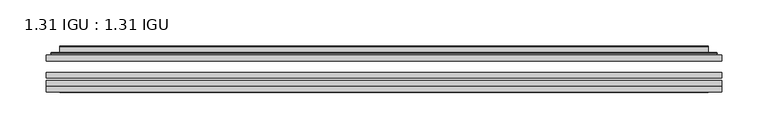
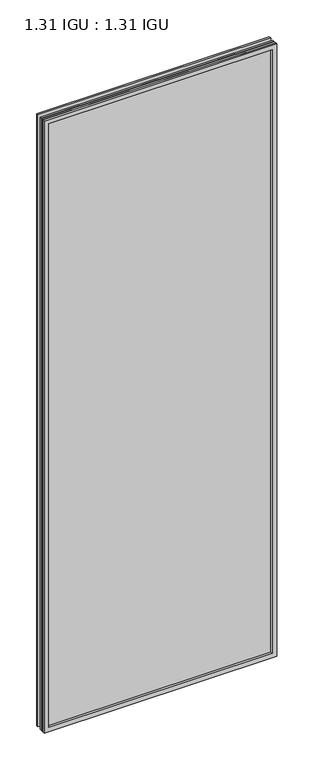
"""IFC4 building model written with IfcOpenShell, lengths in millimetres: plate geometry, 1.31 IGU : 1.31 IGU."""

from ifc_helpers import new_model, si_unit, frame, origin, place, context, project, spatial, polyline, ellipse_curve, outline, extrude, faceted_brep, source, transform, mapped, element, save
from ifc_brep_helpers import plane_surface, cylinder_surface, advanced_brep


def plate_1_31_igu_1_31_igu_50b4bd6e(model_context):
    return source(origin(), model_context, "Body", "SolidModel", [
        extrude(outline(polyline([(363.5949209, -63.2975937), (363.5949209, -69.6475938), (-363.5807459, -69.6475938), (-363.5807459, -63.2975937), (363.5949209, -63.2975937)])), frame((0.0, 0.0, -14.2875), z_axis=(0.0, 0.0, 1.0), x_axis=(1.0, 0.0, 0.0)), (0.0, 0.0, 1.0), 2022.4787979),
        extrude(outline(polyline([(-363.5807459, -78.2835938), (-363.5807459, -71.9330887), (363.5949209, -71.9330887), (363.5949209, -78.2835938), (-363.5807459, -78.2835938)])), frame((0.0, 0.0, -14.2875), z_axis=(0.0, 0.0, 1.0), x_axis=(1.0, 0.0, 0.0)), (0.0, 0.0, 1.0), 2022.4787979),
        extrude(outline(polyline([(363.5949209, -44.9587937), (363.5949209, -51.3087938), (-363.5807459, -51.3087938), (-363.5807459, -44.9587937), (363.5949209, -44.9587937)])), frame((0.0, 0.0, -14.2875), z_axis=(0.0, 0.0, 1.0), x_axis=(1.0, 0.0, 0.0)), (0.0, 0.0, 1.0), 2022.4787979),
        faceted_brep([(-363.5934459, -84.6335937, 2008.2002), (-363.5934459, -78.2835937, 2008.2002), (-363.5934459, -78.2835937, -14.3002), (-363.5934459, -84.6335937, -14.3002), (363.5934459, -78.2835937, -14.3002), (363.5934459, -84.6335937, -14.3002), (363.5934459, -78.2835937, 2008.2002), (363.5934459, -84.6335937, 2008.2002), (-348.3955018, -78.2835937, 0.8977441), (348.3955018, -78.2835937, 0.8977441), (348.3955018, -78.2835937, 1993.0022559), (-348.3955018, -78.2835937, 1993.0022559), (-349.2879361, -84.6335937, 1993.8946902), (349.2879361, -84.6335937, 1993.8946902), (349.2879361, -84.6335937, 0.0053098), (-349.2879361, -84.6335937, 0.0053098)], [[[0, 1, 2, 3]], [[3, 2, 4, 5]], [[5, 4, 6, 7]], [[1, 6, 4, 2], [8, 9, 10, 11]], [[7, 6, 1, 0]], [[3, 5, 7, 0], [12, 13, 14, 15]], [[11, 12, 15, 8]], [[8, 15, 14, 9]], [[9, 14, 13, 10]], [[10, 13, 12, 11]]]),
        advanced_brep(
        [(-356.339465, -44.9587937, 2000.946219), (-358.6936703, -42.9691271, 2003.3004244), (-358.6936703, -42.9691271, -9.4004244), (-356.339465, -44.9587937, -7.046219), (-347.2651398, -41.1187568, 1991.8718939), (-342.330308, -44.9587937, 1986.9370621), (-342.330308, -44.9587937, 6.9629379), (-347.2651398, -41.1187568, 2.0281061), (-348.2971676, -35.7215256, 1992.9039217), (-348.2971676, -35.7215256, 0.9960783), (-349.2878244, -35.3225507, 1993.8945784), (-349.2878244, -35.3225507, 0.0054216), (-349.2878244, -41.7837937, 1993.8945784), (-349.2878244, -41.7837937, 0.0054216), (-357.6918808, -41.7837937, 2002.2986349), (-357.6918808, -41.7837937, -8.3986349), (358.6936703, -42.9691271, -9.4004244), (356.339465, -44.9587937, -7.046219), (342.330308, -44.9587937, 6.9629379), (347.2651398, -41.1187568, 2.0281061), (348.2971676, -35.7215256, 0.9960783), (349.2878244, -35.3225507, 0.0054216), (349.2878244, -41.7837937, 0.0054216), (357.6918808, -41.7837937, -8.3986349), (358.6936703, -42.9691271, 2003.3004244), (356.339465, -44.9587937, 2000.946219), (342.330308, -44.9587937, 1986.9370621), (347.2651398, -41.1187568, 1991.8718939), (348.2971676, -35.7215256, 1992.9039217), (349.2878244, -35.3225507, 1993.8945784), (349.2878244, -41.7837937, 1993.8945784), (357.6918808, -41.7837937, 2002.2986349)],
        [
            (0, 1, ellipse_curve(frame((-356.339465, -42.5711937, 2000.946219), z_axis=(-0.7071067811865475, 0.0, -0.7071067811865475), x_axis=(-0.7071067811865474, 0.0, 0.7071067811865476)), 3.3765763, 2.3876)),
            (1, 2),
            (2, 3, ellipse_curve(frame((-356.339465, -42.5711937, -7.046219), z_axis=(-0.7071067811865475, 0.0, 0.7071067811865475), x_axis=(0.7071067811865474, 0.0, 0.7071067811865476)), 3.3765763, 2.3876)),
            (3, 0),
            (4, 5),
            (5, 6),
            (6, 7),
            (7, 4),
            (8, 4),
            (7, 9),
            (9, 8),
            (10, 8, ellipse_curve(frame((-348.9208678, -35.840786, 1993.5276219), z_axis=(-0.7071067811865475, 0.0, -0.7071067811865475), x_axis=(-0.7071067811865474, 0.0, 0.7071067811865476)), 0.8980256, 0.635)),
            (9, 11, ellipse_curve(frame((-348.9208678, -35.840786, 0.3723781), z_axis=(-0.7071067811865475, 0.0, 0.7071067811865475), x_axis=(0.7071067811865474, 0.0, 0.7071067811865476)), 0.8980256, 0.635)),
            (11, 10),
            (12, 10),
            (11, 13),
            (13, 12),
            (1, 14, ellipse_curve(frame((-357.6918808, -42.7997937, 2002.2986349), z_axis=(-0.7071067811865475, 0.0, -0.7071067811865475), x_axis=(-0.7071067811865474, 0.0, 0.7071067811865476)), 1.436841, 1.016)),
            (14, 15),
            (15, 2, ellipse_curve(frame((-357.6918808, -42.7997937, -8.3986349), z_axis=(-0.7071067811865475, 0.0, 0.7071067811865475), x_axis=(0.7071067811865474, 0.0, 0.7071067811865476)), 1.436841, 1.016)),
            (2, 16),
            (16, 17, ellipse_curve(frame((356.339465, -42.5711937, -7.046219), z_axis=(-0.7071067811865475, 0.0, -0.7071067811865475), x_axis=(-0.7071067811865476, 0.0, 0.7071067811865474)), 3.3765763, 2.3876)),
            (17, 3),
            (6, 18),
            (18, 19),
            (19, 7),
            (19, 20),
            (20, 9),
            (20, 21, ellipse_curve(frame((348.9208678, -35.840786, 0.3723781), z_axis=(-0.7071067811865475, 0.0, -0.7071067811865475), x_axis=(-0.7071067811865476, 0.0, 0.7071067811865474)), 0.8980256, 0.635)),
            (21, 11),
            (21, 22),
            (22, 13),
            (15, 23),
            (23, 16, ellipse_curve(frame((357.6918808, -42.7997937, -8.3986349), z_axis=(-0.7071067811865475, 0.0, -0.7071067811865475), x_axis=(-0.7071067811865476, 0.0, 0.7071067811865474)), 1.436841, 1.016)),
            (16, 24),
            (24, 25, ellipse_curve(frame((356.339465, -42.5711937, 2000.946219), z_axis=(0.7071067811865475, 0.0, -0.7071067811865475), x_axis=(-0.7071067811865474, 0.0, -0.7071067811865476)), 3.3765763, 2.3876)),
            (25, 17),
            (18, 26),
            (26, 27),
            (27, 19),
            (27, 28),
            (28, 20),
            (28, 29, ellipse_curve(frame((348.9208678, -35.840786, 1993.5276219), z_axis=(0.7071067811865475, 0.0, -0.7071067811865475), x_axis=(-0.7071067811865474, 0.0, -0.7071067811865476)), 0.8980256, 0.635)),
            (29, 21),
            (29, 30),
            (30, 22),
            (23, 31),
            (31, 24, ellipse_curve(frame((357.6918808, -42.7997937, 2002.2986349), z_axis=(0.7071067811865475, 0.0, -0.7071067811865475), x_axis=(-0.7071067811865474, 0.0, -0.7071067811865476)), 1.436841, 1.016)),
            (24, 1),
            (0, 25),
            (5, 26),
            (4, 27),
            (8, 28),
            (10, 29),
            (12, 30),
            (14, 31),
        ],
        [
            cylinder_surface(frame((-356.339465, -42.5711937, 2025.65), z_axis=(0.0, 0.0, 1.0), x_axis=(-1.0, 0.0, 0.0)), 2.3876),
            plane_surface(frame((-342.330308, -44.9587937, 1986.9370621), z_axis=(0.6141233906514794, 0.7892100234124821, 0.0), x_axis=(0.0, 0.0, -1.0))),
            plane_surface(frame((-347.2651398, -41.1187568, 1991.8718939), z_axis=(0.9822050625507729, 0.18781164793386074, 0.0), x_axis=(0.0, 0.0, -1.0))),
            cylinder_surface(frame((-348.9208678, -35.840786, 2025.65), z_axis=(0.0, 0.0, 1.0), x_axis=(-1.0, 0.0, 0.0)), 0.635),
            plane_surface(frame((-349.2878244, -35.3225507, 1993.8945784), z_axis=(-1.0, 0.0, 0.0), x_axis=(0.0, 0.0, -1.0))),
            cylinder_surface(frame((-357.6918808, -42.7997937, 2025.65), z_axis=(0.0, 0.0, 1.0), x_axis=(-1.0, 0.0, 0.0)), 1.016),
            cylinder_surface(frame((-381.0432459, -42.5711937, -7.046219), z_axis=(-1.0, 0.0, 0.0), x_axis=(0.0, 0.0, -1.0)), 2.3876),
            plane_surface(frame((-342.330308, -44.9587937, 6.9629379), z_axis=(0.0, 0.7892100234124841, 0.6141233906514768), x_axis=(1.0, 0.0, 0.0))),
            plane_surface(frame((-347.2651398, -41.1187568, 2.0281061), z_axis=(0.0, 0.18781164793386393, 0.9822050625507723), x_axis=(1.0, 0.0, 0.0))),
            cylinder_surface(frame((-381.0432459, -35.840786, 0.3723781), z_axis=(-1.0, 0.0, 0.0), x_axis=(0.0, 0.0, -1.0)), 0.635),
            plane_surface(frame((-349.2878244, -35.3225507, 0.0054216), z_axis=(0.0, 0.0, -1.0), x_axis=(1.0, 0.0, 0.0))),
            cylinder_surface(frame((-381.0432459, -42.7997937, -8.3986349), z_axis=(-1.0, 0.0, 0.0), x_axis=(0.0, 0.0, -1.0)), 1.016),
            cylinder_surface(frame((356.339465, -42.5711937, -31.75), z_axis=(0.0, 0.0, -1.0), x_axis=(1.0, 0.0, 0.0)), 2.3876),
            plane_surface(frame((342.330308, -44.9587937, 6.9629379), z_axis=(-0.6141233906514743, 0.7892100234124861, 0.0), x_axis=(0.0, 0.0, 1.0))),
            plane_surface(frame((347.2651398, -41.1187568, 2.0281061), z_axis=(-0.9822050625507718, 0.18781164793386712, 0.0), x_axis=(0.0, 0.0, 1.0))),
            cylinder_surface(frame((348.9208678, -35.840786, -31.75), z_axis=(0.0, 0.0, -1.0), x_axis=(1.0, 0.0, 0.0)), 0.635),
            plane_surface(frame((349.2878244, -35.3225507, 0.0054216), z_axis=(1.0, 0.0, 0.0), x_axis=(0.0, 0.0, 1.0))),
            cylinder_surface(frame((357.6918808, -42.7997937, -31.75), z_axis=(0.0, 0.0, -1.0), x_axis=(1.0, 0.0, 0.0)), 1.016),
            cylinder_surface(frame((381.0432459, -42.5711937, 2000.946219), z_axis=(1.0, 0.0, 0.0), x_axis=(0.0, 0.0, 1.0)), 2.3876),
            plane_surface(frame((356.339465, -44.9587937, 2000.946219), z_axis=(0.0, -1.0, 0.0), x_axis=(-1.0, 0.0, 0.0))),
            plane_surface(frame((342.330308, -44.9587937, 1986.9370621), z_axis=(0.0, 0.7892100234124841, -0.6141233906514768), x_axis=(-1.0, 0.0, 0.0))),
            plane_surface(frame((347.2651398, -41.1187568, 1991.8718939), z_axis=(0.0, 0.18781164793386393, -0.9822050625507723), x_axis=(-1.0, 0.0, 0.0))),
            cylinder_surface(frame((381.0432459, -35.840786, 1993.5276219), z_axis=(1.0, 0.0, 0.0), x_axis=(0.0, 0.0, 1.0)), 0.635),
            plane_surface(frame((349.2878244, -35.3225507, 1993.8945784), z_axis=(0.0, 0.0, 1.0), x_axis=(-1.0, 0.0, 0.0))),
            plane_surface(frame((349.2878244, -41.7837937, 1993.8945784), z_axis=(0.0, 1.0, 0.0), x_axis=(-1.0, 0.0, 0.0))),
            cylinder_surface(frame((381.0432459, -42.7997937, 2002.2986349), z_axis=(1.0, 0.0, 0.0), x_axis=(0.0, 0.0, 1.0)), 1.016),
        ],
        [
            (0, [[1, 2, 3, 4]]),
            (1, [[5, 6, 7, 8]]),
            (2, [[9, -8, 10, 11]]),
            (3, [[12, -11, 13, 14]]),
            (4, [[15, -14, 16, 17]]),
            (5, [[18, 19, 20, -2]]),
            (6, [[-3, 21, 22, 23]]),
            (7, [[-7, 24, 25, 26]]),
            (8, [[-10, -26, 27, 28]]),
            (9, [[-13, -28, 29, 30]]),
            (10, [[-16, -30, 31, 32]]),
            (11, [[-20, 33, 34, -21]]),
            (12, [[-22, 35, 36, 37]]),
            (13, [[-25, 38, 39, 40]]),
            (14, [[-27, -40, 41, 42]]),
            (15, [[-29, -42, 43, 44]]),
            (16, [[-31, -44, 45, 46]]),
            (17, [[-34, 47, 48, -35]]),
            (18, [[-36, 49, -1, 50]]),
            (19, [[-23, -37, -50, -4], [51, -38, -24, -6]]),
            (20, [[-39, -51, -5, 52]]),
            (21, [[-41, -52, -9, 53]]),
            (22, [[-43, -53, -12, 54]]),
            (23, [[-45, -54, -15, 55]]),
            (24, [[56, -47, -33, -19], [-32, -46, -55, -17]]),
            (25, [[-48, -56, -18, -49]]),
        ],
    ),
    ])


if __name__ == "__main__":
    model = new_model("IFC4")
    model_context = context("Model", 3, world=origin())
    ifc_project = project(units=[si_unit("LENGTHUNIT", "METRE", prefix="MILLI")], contexts=[model_context])
    site = spatial("IfcSite", under=ifc_project)
    building = spatial("IfcBuilding", under=site)
    placement = place(None, origin())
    plate_1_31_igu_1_31_igu_shape = plate_1_31_igu_1_31_igu_50b4bd6e(model_context)
    element("IfcPlate", 1, ObjectType="1.31 IGU : 1.31 IGU", at=placement, inside=building, context=model_context, shape_type="MappedRepresentation", body=[
        mapped(plate_1_31_igu_1_31_igu_shape, transform((0.0, 0.0, 0.0), x_axis=(1.0, 0.0, 0.0), y_axis=(0.0, 1.0, 0.0), z_axis=(0.0, 0.0, 1.0))),
    ])
    save(model, "model.ifc")
